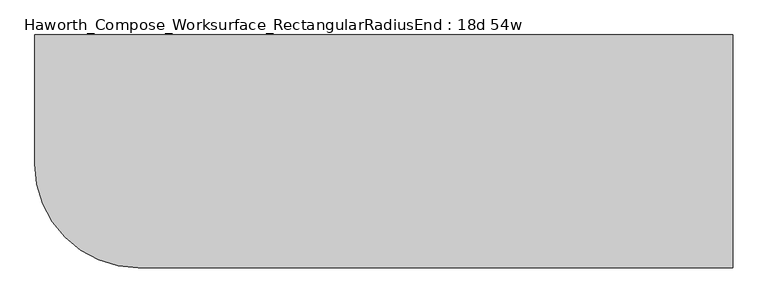
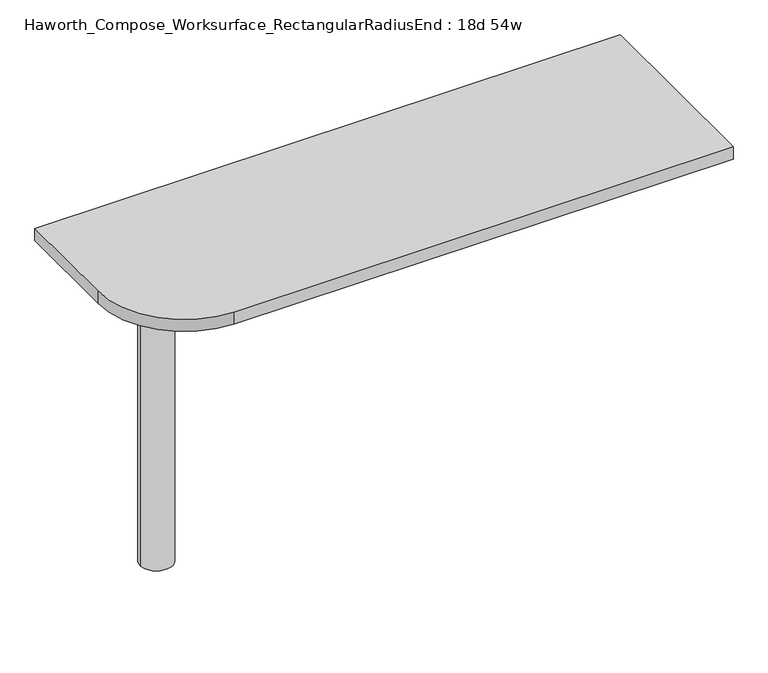
"""IFC4 building model written with IfcOpenShell, lengths in millimetres: furniture geometry, Haworth_Compose_Worksurface_RectangularRadiusEnd : 18d 54w."""

from ifc_helpers import new_model, si_unit, point, frame, frame_2d, origin, place, context, project, spatial, polyline, circle_curve, trimmed, segment, composite_curve, outline, extrude, source, transform, mapped, element, save
from ifc_brep_helpers import plane_surface, cylinder_surface, revolved_surface, advanced_brep


def haworth_compose_worksurface_rectangularradiusend_18d_54w_df62a1b4(model_context):
    return source(origin(), model_context, "Body", "SolidModel", [
        advanced_brep(
        [(680.24375, 228.6, 475.45625), (680.24375, 212.725, 475.45625), (680.24375, -177.8, 691.7192568), (680.24375, -177.8, 704.05625), (680.24375, 212.725, 704.05625), (680.24375, 228.6, 704.05625), (680.24375, 145.290072, 665.95625), (680.24375, 101.6355284, 665.95625), (680.24375, 98.9564235, 656.3705539), (680.24375, 190.6776173, 605.5776439), (680.24375, 200.025, 611.1756969), (680.24375, 200.025, 634.6860246), (680.24375, 198.2730055, 637.5242776), (680.24375, 148.3663437, 665.1613425), (682.625, 228.6, 475.45625), (682.625, 228.6, 704.05625), (682.625, 212.725, 704.05625), (682.625, 212.725, 706.4375), (682.625, -177.8, 706.4375), (682.625, -177.8, 691.7192568), (682.625, 212.725, 475.45625), (682.625, 145.290072, 665.95625), (682.625, 148.3663437, 665.1613425), (682.625, 198.2730055, 637.5242776), (682.625, 200.025, 634.6860246), (682.625, 200.025, 611.1756969), (682.625, 190.6776173, 605.5776439), (682.625, 98.9564235, 656.3705539), (682.625, 101.6355284, 665.95625), (641.35, -177.8, 706.4375), (641.35, -177.8, 704.05625), (641.35, 212.725, 704.05625), (641.35, 212.725, 706.4375)],
        [
            (0, 1),
            (1, 2),
            (2, 3),
            (3, 4),
            (4, 5),
            (5, 0),
            (6, 7),
            (7, 8, circle_curve(frame((680.24375, 101.6355284, 660.7890106), z_axis=(1.0, 0.0, 0.0), x_axis=(0.0, -1.0, 0.0)), 5.1672394)),
            (8, 9),
            (9, 10, circle_curve(frame((680.24375, 193.675, 611.1756969), z_axis=(1.0, 0.0, 0.0), x_axis=(0.0, -1.0, 0.0)), 6.35)),
            (10, 11),
            (11, 12, circle_curve(frame((680.24375, 196.85, 634.6860246), z_axis=(1.0, 0.0, 0.0), x_axis=(0.0, -1.0, 0.0)), 3.175)),
            (12, 13),
            (13, 6, circle_curve(frame((680.24375, 145.290072, 659.60625), z_axis=(1.0, 0.0, 0.0), x_axis=(0.0, -1.0, 0.0)), 6.35)),
            (14, 15),
            (15, 16),
            (16, 17),
            (17, 18),
            (18, 19),
            (19, 20),
            (20, 14),
            (21, 22, circle_curve(frame((682.625, 145.290072, 659.60625), z_axis=(-1.0, 0.0, 0.0), x_axis=(0.0, -1.0, 0.0)), 6.35)),
            (22, 23),
            (23, 24, circle_curve(frame((682.625, 196.85, 634.6860246), z_axis=(-1.0, 0.0, 0.0), x_axis=(0.0, -1.0, 0.0)), 3.175)),
            (24, 25),
            (25, 26, circle_curve(frame((682.625, 193.675, 611.1756969), z_axis=(-1.0, 0.0, 0.0), x_axis=(0.0, -1.0, 0.0)), 6.35)),
            (26, 27),
            (27, 28, circle_curve(frame((682.625, 101.6355284, 660.7890106), z_axis=(-1.0, 0.0, 0.0), x_axis=(0.0, -1.0, 0.0)), 5.1672394)),
            (28, 21),
            (4, 16),
            (15, 5),
            (14, 0),
            (20, 1),
            (19, 2),
            (18, 29),
            (29, 30),
            (30, 3),
            (6, 21),
            (28, 7),
            (9, 26),
            (25, 10),
            (24, 11),
            (23, 12),
            (27, 8),
            (31, 4),
            (30, 31),
            (32, 29),
            (17, 32),
            (31, 32),
            (22, 13),
        ],
        [
            plane_surface(frame((680.24375, 228.6, 475.45625), z_axis=(-1.0, 0.0, 0.0), x_axis=(0.0, 1.0, 0.0))),
            plane_surface(frame((682.625, 228.6, 475.45625), z_axis=(1.0, 0.0, 0.0), x_axis=(0.0, -1.0, 0.0))),
            plane_surface(frame((682.625, -177.8, 704.05625), z_axis=(0.0, 0.0, 1.0), x_axis=(-1.0, 0.0, 0.0))),
            plane_surface(frame((682.625, 228.6, 704.05625), z_axis=(0.0, 1.0, 0.0), x_axis=(-1.0, 0.0, 0.0))),
            plane_surface(frame((682.625, 228.6, 475.45625), z_axis=(0.0, 0.0, -1.0), x_axis=(-1.0, 0.0, 0.0))),
            plane_surface(frame((682.625, 212.725, 475.45625), z_axis=(0.0, -0.48445223513455843, -0.8748177135112952), x_axis=(-1.0, 0.0, 0.0))),
            plane_surface(frame((682.625, -177.8, 691.7192568), z_axis=(0.0, -1.0, 0.0), x_axis=(-1.0, 0.0, 0.0))),
            plane_surface(frame((682.625, 145.290072, 665.95625), z_axis=(0.0, 0.0, -1.0), x_axis=(-1.0, 0.0, 0.0))),
            revolved_surface(polyline([(680.24375, 187.32500000000002, 611.1756969), (682.625, 187.32500000000002, 611.1756969)]), (682.625, 193.675, 611.1756969), (-1.0, 0.0, 0.0)),
            plane_surface(frame((682.625, 200.025, 611.1756969), z_axis=(0.0, -1.0, 0.0), x_axis=(-1.0, 0.0, 0.0))),
            revolved_surface(polyline([(680.24375, 193.67499999999998, 634.6860246), (682.625, 193.67499999999998, 634.6860246)]), (682.625, 196.85, 634.6860246), (-1.0, 0.0, 0.0)),
            revolved_surface(polyline([(680.24375, 96.468289, 660.7890106), (682.625, 96.468289, 660.7890106)]), (682.625, 101.6355284, 660.7890106), (-1.0, 0.0, 0.0)),
            plane_surface(frame((682.625, 212.725, 704.05625), z_axis=(0.0, 0.0, -1.0), x_axis=(-1.0, 0.0, 0.0))),
            plane_surface(frame((682.625, 212.725, 706.4375), z_axis=(0.0, 0.0, 1.0), x_axis=(1.0, 0.0, 0.0))),
            plane_surface(frame((641.35, 212.725, 706.4375), z_axis=(0.0, 1.0, 0.0), x_axis=(0.0, 0.0, -1.0))),
            plane_surface(frame((641.35, -177.8, 706.4375), z_axis=(-1.0, 0.0, 0.0), x_axis=(0.0, 0.0, -1.0))),
            plane_surface(frame((682.625, 98.9564235, 656.3705539), z_axis=(0.0, 0.4844522351345583, 0.8748177135112953), x_axis=(-1.0, 0.0, 0.0))),
            plane_surface(frame((682.625, 198.2730055, 637.5242776), z_axis=(0.0, -0.4844522351345582, -0.8748177135112953), x_axis=(-1.0, 0.0, 0.0))),
            revolved_surface(polyline([(680.24375, 138.94007200000001, 659.60625), (682.625, 138.94007200000001, 659.60625)]), (682.625, 145.290072, 659.60625), (-1.0, 0.0, 0.0)),
        ],
        [
            (0, [[1, 2, 3, 4, 5, 6], [7, 8, 9, 10, 11, 12, 13, 14]]),
            (1, [[15, 16, 17, 18, 19, 20, 21], [22, 23, 24, 25, 26, 27, 28, 29]]),
            (2, [[-5, 30, -16, 31]]),
            (3, [[-31, -15, 32, -6]]),
            (4, [[-32, -21, 33, -1]]),
            (5, [[-33, -20, 34, -2]]),
            (6, [[-34, -19, 35, 36, 37, -3]]),
            (7, [[38, -29, 39, -7]]),
            (8, [[40, -26, 41, -10]]),
            (9, [[-41, -25, 42, -11]]),
            (10, [[-42, -24, 43, -12]]),
            (11, [[-39, -28, 44, -8]]),
            (12, [[45, -4, -37, 46]]),
            (13, [[47, -35, -18, 48]]),
            (14, [[-17, -30, -45, 49, -48]]),
            (15, [[-36, -47, -49, -46]]),
            (16, [[-44, -27, -40, -9]]),
            (17, [[-43, -23, 50, -13]]),
            (18, [[-50, -22, -38, -14]]),
        ],
    ),
        advanced_brep(
        [(-495.3, 0.0, 706.4375), (-571.5, 0.0, 706.4375), (-533.4, 0.0, 706.4375), (-495.3, 0.0, 0.0), (-571.5, 0.0, 0.0), (-533.4, 0.0, 0.0)],
        [
            (0, 1, circle_curve(frame((-533.4, 0.0, 706.4375), z_axis=(0.0, 0.0, 1.0), x_axis=(-1.0, 0.0, 0.0)), 38.1)),
            (1, 2),
            (2, 0),
            (1, 0, circle_curve(frame((-533.4, 0.0, 706.4375), z_axis=(0.0, 0.0, 1.0), x_axis=(-1.0, 0.0, 0.0)), 38.1)),
            (3, 4, circle_curve(frame((-533.4, 0.0, 0.0), z_axis=(0.0, 0.0, 1.0), x_axis=(-1.0, 0.0, 0.0)), 38.1)),
            (4, 1),
            (0, 3),
            (4, 3, circle_curve(frame((-533.4, 0.0, 0.0), z_axis=(0.0, 0.0, 1.0), x_axis=(-1.0, 0.0, 0.0)), 38.1)),
            (5, 4),
            (3, 5),
        ],
        [
            plane_surface(frame((-533.4, 0.0, 706.4375), z_axis=(0.0, 0.0, 1.0), x_axis=(-1.0, 0.0, 0.0))),
            cylinder_surface(frame((-533.4, 0.0, 889.623257), z_axis=(0.0, 0.0, -1.0), x_axis=(-1.0, 0.0, 0.0)), 38.1),
            plane_surface(frame((-533.4, 0.0, 0.0), z_axis=(0.0, 0.0, -1.0), x_axis=(-1.0, 0.0, 0.0))),
        ],
        [
            (0, [[1, 2, 3]]),
            (0, [[4, -3, -2]]),
            (1, [[5, 6, -1, 7]]),
            (1, [[8, -7, -4, -6]]),
            (2, [[9, -5, 10]]),
            (2, [[-10, -8, -9]]),
        ],
    ),
        extrude(outline(composite_curve([segment(polyline([(685.8, 228.6), (685.8, -228.6), (-482.6, -228.6)]), True, "CONTINUOUS"), segment(trimmed(circle_curve(frame_2d((-482.6, -25.4)), 203.2), [point((-482.6, -228.6))], [point((-685.8, -25.4))], False, "CARTESIAN"), True, "CONTINUOUS"), segment(polyline([(-685.8, -25.4), (-685.8, 228.6), (685.8, 228.6)]), True, "CONTINUOUS")], self_intersect=False)), frame((0.0, 0.0, 706.4375), z_axis=(0.0, 0.0, 1.0), x_axis=(1.0, 0.0, 0.0)), (0.0, 0.0, 1.0), 30.1625),
    ])


if __name__ == "__main__":
    model = new_model("IFC4")
    model_context = context("Model", 3, world=origin())
    ifc_project = project(units=[si_unit("LENGTHUNIT", "METRE", prefix="MILLI")], contexts=[model_context])
    site = spatial("IfcSite", under=ifc_project)
    building = spatial("IfcBuilding", under=site)
    placement = place(None, origin())
    haworth_compose_worksurface_rectangularradiusend_18d_54w_shape = haworth_compose_worksurface_rectangularradiusend_18d_54w_df62a1b4(model_context)
    element("IfcFurniture", 1, ObjectType="Haworth_Compose_Worksurface_RectangularRadiusEnd : 18d 54w", at=placement, inside=building, context=model_context, shape_type="MappedRepresentation", body=[
        mapped(haworth_compose_worksurface_rectangularradiusend_18d_54w_shape, transform((0.0, 0.0, 0.0), x_axis=(1.0, 0.0, 0.0), y_axis=(0.0, 1.0, 0.0), z_axis=(0.0, 0.0, 1.0))),
    ])
    save(model, "model.ifc")
